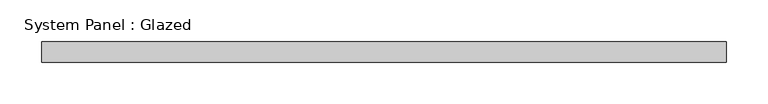
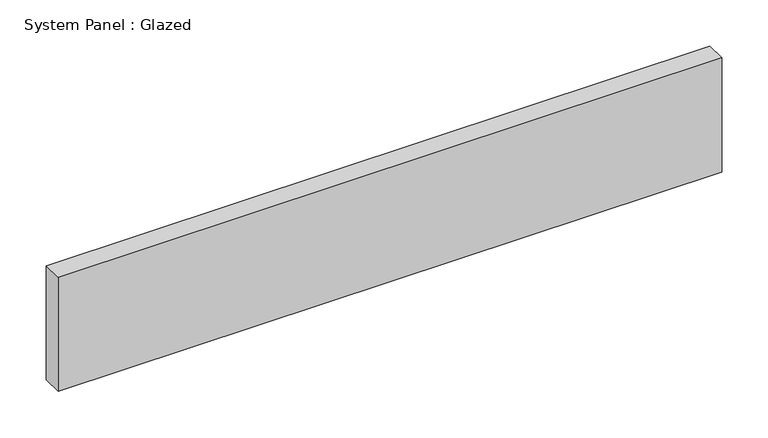
"""IFC4 building model written with IfcOpenShell, lengths in millimetres: plate geometry, System Panel : Glazed."""

from ifc_helpers import new_model, si_unit, origin, origin_with_axes, place, context, project, spatial, polyline, outline, extrude, source, transform, mapped, element, save


def system_panel_glazed_2ad8a491(model_context):
    return source(origin(), model_context, "Body", "SweptSolid", [
        extrude(outline(polyline([(412.5, 24.5), (-412.5, 24.5), (-412.5, 49.5), (412.5, 49.5), (412.5, 24.5)])), origin_with_axes(), (0.0, 0.0, 1.0), 150.0),
    ])


if __name__ == "__main__":
    model = new_model("IFC4")
    model_context = context("Model", 3, world=origin())
    ifc_project = project(units=[si_unit("LENGTHUNIT", "METRE", prefix="MILLI")], contexts=[model_context])
    site = spatial("IfcSite", under=ifc_project)
    building = spatial("IfcBuilding", under=site)
    placement = place(None, origin())
    system_panel_glazed_shape = system_panel_glazed_2ad8a491(model_context)
    element("IfcPlate", 1, ObjectType="System Panel : Glazed", at=placement, inside=building, context=model_context, shape_type="MappedRepresentation", body=[
        mapped(system_panel_glazed_shape, transform((0.0, 0.0, 0.0), x_axis=(1.0, 0.0, 0.0), y_axis=(0.0, 1.0, 0.0), z_axis=(0.0, 0.0, 1.0))),
    ])
    save(model, "model.ifc")
